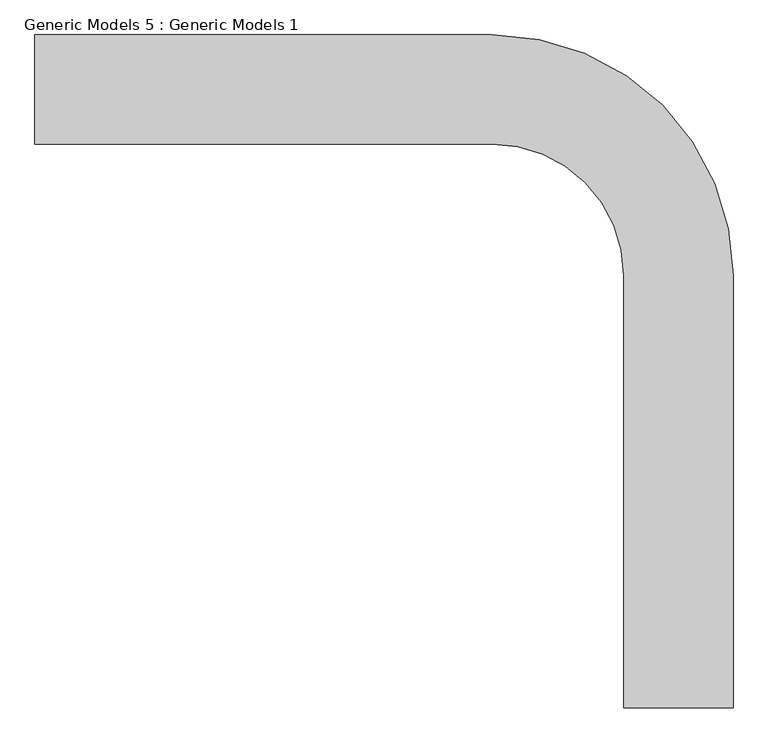
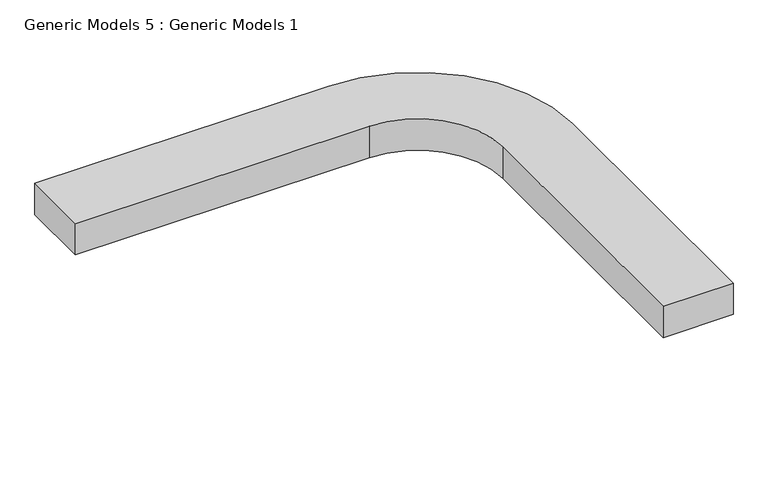
"""IFC4 building model written with IfcOpenShell, lengths in millimetres: proxy geometry, Generic Models 5 : Generic Models 1."""

from ifc_helpers import new_model, si_unit, frame, origin, place, context, project, spatial, polyline, circle_curve, source, transform, mapped, element, save
from ifc_brep_helpers import plane_surface, cylinder_surface, revolved_surface, advanced_brep


def generic_models_5_generic_models_1_67bba5d2(model_context):
    return source(origin(), model_context, "Body", "AdvancedBrep", [
        advanced_brep(
        [(92129.4520108, -17523.8341276, 67900.0), (92129.4520108, -18123.8341276, 67900.0), (94643.7769414, -18123.8341276, 67900.0), (95368.7769414, -18848.8341276, 67900.0), (95368.7769414, -21227.4801084, 67900.0), (95968.7769414, -21227.4801084, 67900.0), (95968.7769414, -18848.8341276, 67900.0), (94643.7769414, -17523.8341276, 67900.0), (92129.4520108, -17523.8341276, 67615.9475624), (94643.7769414, -17523.8341276, 67615.9475624), (95968.7769414, -18848.8341276, 67615.9475624), (95968.7769414, -21227.4801084, 67615.9475624), (95368.7769414, -21227.4801084, 67615.9475624), (95368.7769414, -18848.8341276, 67615.9475624), (94643.7769414, -18123.8341276, 67615.9475624), (92129.4520108, -18123.8341276, 67615.9475624), (92129.4520108, -17523.8341276, 67850.0), (95968.7769414, -21227.4801084, 67850.0)],
        [
            (0, 1),
            (1, 2),
            (2, 3, circle_curve(frame((94643.7769414, -18848.8341276, 67900.0), z_axis=(0.0, 0.0, -1.0), x_axis=(1.0, 0.0, 0.0)), 725.0)),
            (3, 4),
            (4, 5),
            (5, 6),
            (6, 7, circle_curve(frame((94643.7769414, -18848.8341276, 67900.0), z_axis=(0.0, 0.0, 1.0), x_axis=(1.0, 0.0, 0.0)), 1325.0)),
            (7, 0),
            (8, 9),
            (9, 10, circle_curve(frame((94643.7769414, -18848.8341276, 67615.9475624), z_axis=(0.0, 0.0, -1.0), x_axis=(1.0, 0.0, 0.0)), 1325.0)),
            (10, 11),
            (11, 12),
            (12, 13),
            (13, 14, circle_curve(frame((94643.7769414, -18848.8341276, 67615.9475624), z_axis=(0.0, 0.0, 1.0), x_axis=(1.0, 0.0, 0.0)), 725.0)),
            (14, 15),
            (15, 8),
            (0, 16),
            (16, 8),
            (15, 1),
            (14, 2),
            (13, 3),
            (12, 4),
            (11, 17),
            (17, 5),
            (10, 6),
            (9, 7),
        ],
        [
            plane_surface(frame((92129.4520108, -22692.3044336, 67900.0), z_axis=(0.0, 0.0, 1.0), x_axis=(0.0, -1.0, 0.0))),
            plane_surface(frame((92129.4520108, -22692.3044336, 67615.9475624), z_axis=(0.0, 0.0, -1.0), x_axis=(0.0, 1.0, 0.0))),
            plane_surface(frame((92129.4520108, -17523.8341276, 67900.0), z_axis=(-1.0, 0.0, 0.0), x_axis=(0.0, 0.0, -1.0))),
            plane_surface(frame((92129.4520108, -18123.8341276, 67900.0), z_axis=(0.0, -1.0, 0.0), x_axis=(0.0, 0.0, -1.0))),
            revolved_surface(polyline([(95368.7769414, -18848.8341276, 67615.9475624), (95368.7769414, -18848.8341276, 67900.0)]), (94643.7769414, -18848.8341276, 67615.9475624), (0.0, 0.0, -1.0)),
            plane_surface(frame((95368.7769414, -18848.8341276, 67900.0), z_axis=(-1.0, 0.0, 0.0), x_axis=(0.0, 0.0, -1.0))),
            plane_surface(frame((95368.7769414, -21227.4801084, 67900.0), z_axis=(0.0, -1.0, 0.0), x_axis=(0.0, 0.0, -1.0))),
            plane_surface(frame((95968.7769414, -21227.4801084, 67900.0), z_axis=(1.0, 0.0, 0.0), x_axis=(0.0, 0.0, -1.0))),
            cylinder_surface(frame((94643.7769414, -18848.8341276, 67615.9475624), z_axis=(0.0, 0.0, 1.0), x_axis=(1.0, 0.0, 0.0)), 1325.0),
            plane_surface(frame((94643.7769414, -17523.8341276, 67900.0), z_axis=(0.0, 1.0, 0.0), x_axis=(0.0, 0.0, -1.0))),
        ],
        [
            (0, [[1, 2, 3, 4, 5, 6, 7, 8]]),
            (1, [[9, 10, 11, 12, 13, 14, 15, 16]]),
            (2, [[-1, 17, 18, -16, 19]]),
            (3, [[-2, -19, -15, 20]]),
            (4, [[-3, -20, -14, 21]]),
            (5, [[-4, -21, -13, 22]]),
            (6, [[-5, -22, -12, 23, 24]]),
            (7, [[-6, -24, -23, -11, 25]]),
            (8, [[-7, -25, -10, 26]]),
            (9, [[-8, -26, -9, -18, -17]]),
        ],
    ),
    ])


if __name__ == "__main__":
    model = new_model("IFC4")
    model_context = context("Model", 3, world=origin())
    ifc_project = project(units=[si_unit("LENGTHUNIT", "METRE", prefix="MILLI")], contexts=[model_context])
    site = spatial("IfcSite", under=ifc_project)
    building = spatial("IfcBuilding", under=site)
    placement = place(None, origin())
    generic_models_5_generic_models_1_shape = generic_models_5_generic_models_1_67bba5d2(model_context)
    element("IfcBuildingElementProxy", 1, Name="Generic Models 5 : Generic Models 1", ObjectType="Generic Models 5 : Generic Models 1", at=placement, inside=building, context=model_context, shape_type="MappedRepresentation", body=[
        mapped(generic_models_5_generic_models_1_shape, transform((0.0, 0.0, 0.0), x_axis=(1.0, 0.0, 0.0), y_axis=(0.0, 1.0, 0.0), z_axis=(0.0, 0.0, 1.0))),
    ])
    save(model, "model.ifc")
